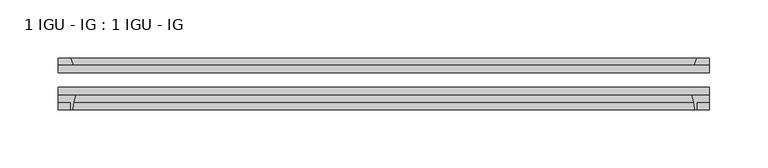
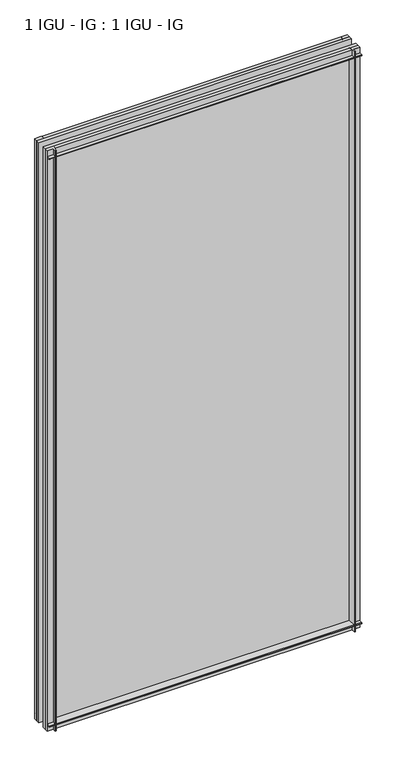
"""IFC4 building model written with IfcOpenShell, lengths in millimetres: plate geometry, 1 IGU - IG : 1 IGU - IG."""

from ifc_helpers import new_model, si_unit, point, frame, frame_2d, origin, place, context, project, spatial, polyline, circle_curve, trimmed, segment, composite_curve, outline, extrude, source, transform, mapped, element, save


def plate_1_igu_ig_1_igu_ig_e9903a67(model_context):
    return source(origin(), model_context, "Body", "SweptSolid", [
        extrude(outline(polyline([(280.9875, -31.75), (280.9875, -38.1), (-280.9875, -38.1), (-280.9875, -31.75), (280.9875, -31.75)])), frame((0.0, 0.0, -11.1125), z_axis=(0.0, 0.0, 1.0), x_axis=(1.0, 0.0, 0.0)), (0.0, 0.0, 1.0), 1101.725),
        extrude(outline(polyline([(-280.9875, -12.7), (280.9875, -12.7), (280.9875, -19.05), (-280.9875, -19.05), (-280.9875, -12.7)])), frame((0.0, 0.0, -11.1125), z_axis=(0.0, 0.0, 1.0), x_axis=(1.0, 0.0, 0.0)), (0.0, 0.0, 1.0), 1101.725),
        extrude(outline(composite_curve([segment(polyline([(-280.9875, -38.1), (-265.6938207, -38.1)]), True, "CONTINUOUS"), segment(trimmed(circle_curve(frame_2d((-222.4348044, -53.3794536)), 45.8781451), [point((-265.6938207, -38.1))], [point((-268.1950572, -50.0925922))], True, "CARTESIAN"), True, "CONTINUOUS"), segment(trimmed(circle_curve(frame_2d((-268.9550991, -50.038)), 0.762), [point((-268.1950572, -50.0925922))], [point((-268.9550991, -50.8))], False, "CARTESIAN"), True, "CONTINUOUS"), segment(polyline([(-268.9550991, -50.8), (-269.875, -50.8), (-269.875, -44.45), (-280.9875, -44.45), (-280.9875, -38.1)]), True, "CONTINUOUS")], self_intersect=False)), frame((0.0, 0.0, -11.1125), z_axis=(0.0, 0.0, 1.0), x_axis=(1.0, 0.0, 0.0)), (0.0, 0.0, 1.0), 1101.725),
        extrude(outline(polyline([(-267.7697229, -12.7), (-280.9875, -12.7), (-280.9875, -6.35), (-269.875, -6.35), (-267.7697229, -12.7)])), frame((0.0, 0.0, -11.1125), z_axis=(0.0, 0.0, 1.0), x_axis=(1.0, 0.0, 0.0)), (0.0, 0.0, 1.0), 1101.725),
        extrude(outline(polyline([(280.9875, -12.7), (267.7697229, -12.7), (269.875, -6.35), (280.9875, -6.35), (280.9875, -12.7)])), frame((0.0, 0.0, -11.1125), z_axis=(0.0, 0.0, 1.0), x_axis=(1.0, 0.0, 0.0)), (0.0, 0.0, 1.0), 1101.725),
        extrude(outline(composite_curve([segment(polyline([(265.6938207, -38.1), (280.9875, -38.1), (280.9875, -44.45), (269.875, -44.45), (269.875, -50.8), (268.9550991, -50.8)]), True, "CONTINUOUS"), segment(trimmed(circle_curve(frame_2d((268.9550991, -50.038)), 0.762), [point((268.9550991, -50.8))], [point((268.1950572, -50.0925922))], False, "CARTESIAN"), True, "CONTINUOUS"), segment(trimmed(circle_curve(frame_2d((222.4348044, -53.3794536)), 45.8781451), [point((268.1950572, -50.0925922))], [point((265.6938207, -38.1))], True, "CARTESIAN"), True, "CONTINUOUS")], self_intersect=False)), frame((0.0, 0.0, -11.1125), z_axis=(0.0, 0.0, 1.0), x_axis=(1.0, 0.0, 0.0)), (0.0, 0.0, 1.0), 1101.725),
        extrude(outline(polyline([(-12.7, -11.1125), (-12.7, 2.1052771), (-6.35, 0.0), (-6.35, -11.1125), (-12.7, -11.1125)])), frame((-280.9875, 0.0, 0.0), z_axis=(1.0, 0.0, 0.0), x_axis=(0.0, 1.0, 0.0)), (0.0, 0.0, 1.0), 561.975),
        extrude(outline(composite_curve([segment(polyline([(-38.1, 4.1811793), (-38.1, -11.1125), (-44.45, -11.1125), (-44.45, 0.0), (-50.8, 0.0), (-50.8, 0.9199009)]), True, "CONTINUOUS"), segment(trimmed(circle_curve(frame_2d((-50.038, 0.9199009)), 0.762), [point((-50.8, 0.9199009))], [point((-50.0925922, 1.6799428))], False, "CARTESIAN"), True, "CONTINUOUS"), segment(trimmed(circle_curve(frame_2d((-53.3794536, 47.4401956)), 45.8781451), [point((-50.0925922, 1.6799428))], [point((-38.1, 4.1811793))], True, "CARTESIAN"), True, "CONTINUOUS")], self_intersect=False)), frame((-280.9875, 0.0, 0.0), z_axis=(1.0, 0.0, 0.0), x_axis=(0.0, 1.0, 0.0)), (0.0, 0.0, 1.0), 561.975),
        extrude(outline(polyline([(-6.35, 1079.5), (-12.7, 1077.3947229), (-12.7, 1090.6125), (-6.35, 1090.6125), (-6.35, 1079.5)])), frame((-280.9875, 0.0, 0.0), z_axis=(1.0, 0.0, 0.0), x_axis=(0.0, 1.0, 0.0)), (0.0, 0.0, 1.0), 561.975),
        extrude(outline(composite_curve([segment(polyline([(-38.1, 1090.6125), (-38.1, 1075.3188207)]), True, "CONTINUOUS"), segment(trimmed(circle_curve(frame_2d((-53.3794536, 1032.0598044)), 45.8781451), [point((-38.1, 1075.3188207))], [point((-50.0925922, 1077.8200572))], True, "CARTESIAN"), True, "CONTINUOUS"), segment(trimmed(circle_curve(frame_2d((-50.038, 1078.5800991)), 0.762), [point((-50.0925922, 1077.8200572))], [point((-50.8, 1078.5800991))], False, "CARTESIAN"), True, "CONTINUOUS"), segment(polyline([(-50.8, 1078.5800991), (-50.8, 1079.5), (-44.45, 1079.5), (-44.45, 1090.6125), (-38.1, 1090.6125)]), True, "CONTINUOUS")], self_intersect=False)), frame((-280.9875, 0.0, 0.0), z_axis=(1.0, 0.0, 0.0), x_axis=(0.0, 1.0, 0.0)), (0.0, 0.0, 1.0), 561.975),
    ])


if __name__ == "__main__":
    model = new_model("IFC4")
    model_context = context("Model", 3, world=origin())
    ifc_project = project(units=[si_unit("LENGTHUNIT", "METRE", prefix="MILLI")], contexts=[model_context])
    site = spatial("IfcSite", under=ifc_project)
    building = spatial("IfcBuilding", under=site)
    placement = place(None, origin())
    plate_1_igu_ig_1_igu_ig_shape = plate_1_igu_ig_1_igu_ig_e9903a67(model_context)
    element("IfcPlate", 1, ObjectType="1 IGU - IG : 1 IGU - IG", at=placement, inside=building, context=model_context, shape_type="MappedRepresentation", body=[
        mapped(plate_1_igu_ig_1_igu_ig_shape, transform((0.0, 0.0, 0.0), x_axis=(1.0, 0.0, 0.0), y_axis=(0.0, 1.0, 0.0), z_axis=(0.0, 0.0, 1.0))),
    ])
    save(model, "model.ifc")
